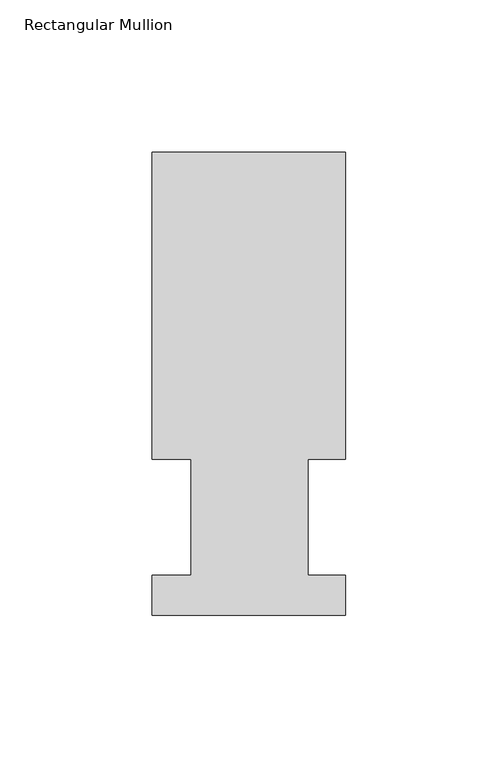
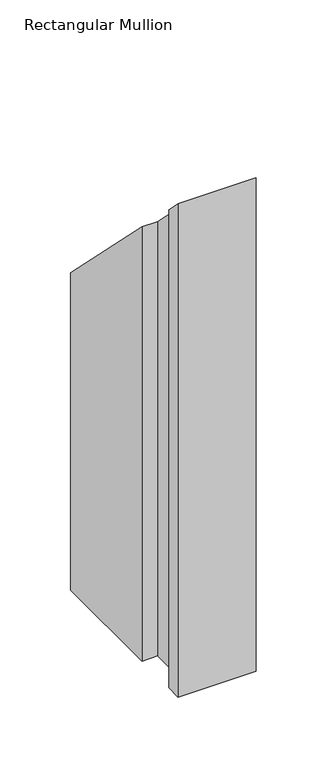
"""IFC4 building model written with IfcOpenShell, lengths in millimetres: member geometry, Rectangular Mullion."""

from ifc_helpers import new_model, si_unit, origin, place, context, project, spatial, faceted_brep, source, transform, mapped, element, save


def rectangular_mullion_03d724f6(model_context):
    return source(origin(), model_context, "Body", "Brep", [
        faceted_brep([(0.0, 151.9816937, -425.45), (0.0, 51.2960938, -425.45), (-12.3418395, 51.2960937, -425.45), (-12.3418395, 13.1960937, -425.45), (0.0, 13.1960937, -425.45), (0.0, 0.0134937, -425.45), (-63.5, 0.0134937, -425.45), (-63.5, 13.1960937, -425.45), (-50.8, 13.1960937, -425.45), (-50.8, 51.2960938, -425.45), (-63.5, 51.2960938, -425.45), (-63.5, 151.9816937, -425.45), (-63.5, 151.9816937, -151.9816937), (0.0, 151.9816937, -151.9816937), (-63.5, 51.2960938, -51.2960937), (-50.8, 51.2960938, -51.2960937), (-50.8, 13.1960937, -13.1960937), (-63.5, 13.1960937, -13.1960937), (-63.5, 0.0134937, -0.0134937), (0.0, 0.0134937, -0.0134937), (0.0, 13.1960937, -13.1960937), (-12.3418395, 13.1960937, -13.1960937), (-12.3418395, 51.2960937, -51.2960937), (0.0, 51.2960937, -51.2960937)], [[[0, 1, 2, 3, 4, 5, 6, 7, 8, 9, 10, 11]], [[12, 13, 0, 11]], [[14, 12, 11, 10]], [[15, 14, 10, 9]], [[16, 15, 9, 8]], [[17, 16, 8, 7]], [[18, 17, 7, 6]], [[19, 18, 6, 5]], [[20, 19, 5, 4]], [[21, 20, 4, 3]], [[22, 21, 3, 2]], [[23, 22, 2, 1]], [[13, 23, 1, 0]], [[13, 12, 14, 15, 16, 17, 18, 19, 20, 21, 22, 23]]]),
    ])


if __name__ == "__main__":
    model = new_model("IFC4")
    model_context = context("Model", 3, world=origin())
    ifc_project = project(units=[si_unit("LENGTHUNIT", "METRE", prefix="MILLI")], contexts=[model_context])
    site = spatial("IfcSite", under=ifc_project)
    building = spatial("IfcBuilding", under=site)
    placement = place(None, origin())
    rectangular_mullion_shape = rectangular_mullion_03d724f6(model_context)
    element("IfcMember", 1, ObjectType="Rectangular Mullion", at=placement, inside=building, context=model_context, shape_type="MappedRepresentation", body=[
        mapped(rectangular_mullion_shape, transform((0.0, 0.0, 0.0), x_axis=(1.0, 0.0, 0.0), y_axis=(0.0, 1.0, 0.0), z_axis=(0.0, 0.0, 1.0))),
    ])
    save(model, "model.ifc")
